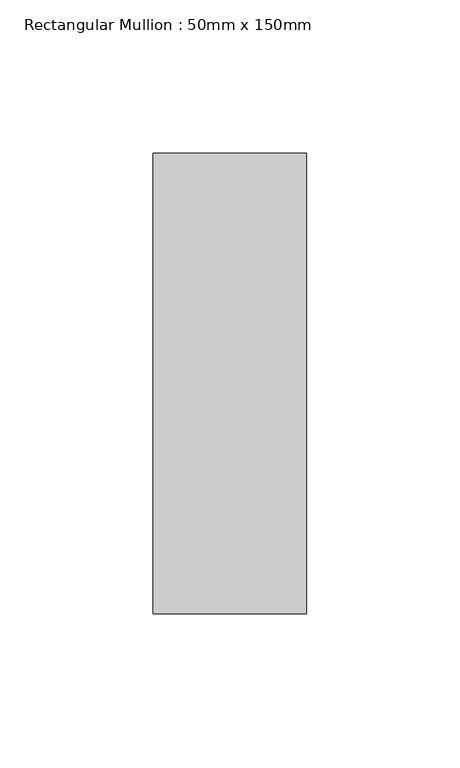
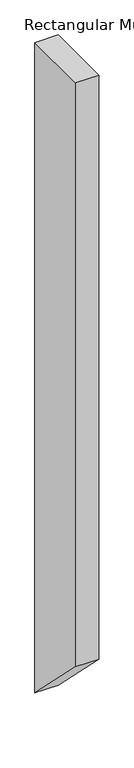
"""IFC4 building model written with IfcOpenShell, lengths in millimetres: member geometry, Rectangular Mullion : 50mm x 150mm."""

import ifcopenshell
import ifcopenshell.guid

model = None  # the IFC model being written
_history = None  # IfcOwnerHistory: only IFC2X3 demands one
_inside = {}  # id of a spatial element -> (the spatial element, [elements in it])
_under = {}  # id of a project, library or spatial element -> (it, [spatial elements below it])
_declared = {}  # id of a project -> (the project, [libraries it declares])
_typed = {}  # id of a type object -> (the type object, [elements of that type])
_made_of = {}  # id of a material, layer set ... -> (it, [elements and type objects made of it])


def new_model(schema):
    """Start an empty IFC model of exactly this schema.

    Asked for "IFC4X3", IfcOpenShell would pick the latest addendum, in which some entities
    have other attributes; the version numbers below select the first issue.
    IFC2X3 requires an IfcOwnerHistory on every rooted entity: one is made here for all.
    """
    global model, _history
    if schema == "IFC4X3":
        model = ifcopenshell.file(schema_version=(4, 3, 0, 0))
    else:
        model = ifcopenshell.file(schema=schema)
    _inside.clear()
    _under.clear()
    _declared.clear()
    _typed.clear()
    _made_of.clear()
    _history = None
    if model.schema == "IFC2X3":
        org = make("IfcOrganization", Name="unknown")
        user = make(
            "IfcPersonAndOrganization",
            ThePerson=make("IfcPerson", FamilyName="unknown"),
            TheOrganization=org,
        )
        app = make(
            "IfcApplication",
            ApplicationDeveloper=org,
            Version="unknown",
            ApplicationFullName="unknown",
            ApplicationIdentifier="unknown",
        )
        _history = make(
            "IfcOwnerHistory",
            OwningUser=user,
            OwningApplication=app,
            ChangeAction="ADDED",
            CreationDate=0,
        )
    return model


def make(cls, **values):
    """One entity of the class cls with the attributes given. An attribute that is None is left unset."""
    return model.create_entity(
        cls, **{name: value for name, value in values.items() if value is not None}
    )


def rooted(cls, **values):
    """An entity with a GlobalId (a new one), such as an element, a storey or a relation."""
    return make(cls, GlobalId=ifcopenshell.guid.new(), OwnerHistory=_history, **values)


def si_unit(unit_type, name, prefix=None):
    """IfcSIUnit, for example si_unit("LENGTHUNIT", "METRE", prefix="MILLI")."""
    return make("IfcSIUnit", UnitType=unit_type, Prefix=prefix, Name=name)


def assignment(units):
    """IfcUnitAssignment: the units of a project."""
    return None if units is None else make("IfcUnitAssignment", Units=units)


def point(xyz):
    """IfcCartesianPoint."""
    return None if xyz is None else make("IfcCartesianPoint", Coordinates=xyz)


def direction(xyz):
    """IfcDirection."""
    return None if xyz is None else make("IfcDirection", DirectionRatios=xyz)


def frame(location, z_axis=None, x_axis=None):
    """IfcAxis2Placement3D, a coordinate frame: its origin and axes. An axis left out is left unset."""
    return make(
        "IfcAxis2Placement3D",
        Location=point(location),
        Axis=direction(z_axis),
        RefDirection=direction(x_axis),
    )


def origin():
    """The frame at (0, 0, 0) with its axes left unset."""
    return frame((0.0, 0.0, 0.0))


def place(relative_to, where):
    """IfcLocalPlacement: puts the frame where relative to a parent placement (None: the world)."""
    return make(
        "IfcLocalPlacement", PlacementRelTo=relative_to, RelativePlacement=where
    )


def context(
    kind, dimensions, precision=None, world=None, true_north=None, identifier=None
):
    """IfcGeometricRepresentationContext, for example the 3D "Model" context."""
    return make(
        "IfcGeometricRepresentationContext",
        ContextIdentifier=identifier,
        ContextType=kind,
        CoordinateSpaceDimension=dimensions,
        Precision=precision,
        WorldCoordinateSystem=world,
        TrueNorth=true_north,
    )


def project(units=None, contexts=None):
    """IfcProject with its units and contexts."""
    return rooted(
        "IfcProject",
        Name="project",
        RepresentationContexts=contexts,
        UnitsInContext=assignment(units),
    )


def spatial(cls, under=None, at=None, **own):
    """A site, building, storey or space (cls), placed at a placement, below another one or the project."""
    s = rooted(cls, ObjectPlacement=at, **own)
    if under is not None:
        _under.setdefault(under.id(), (under, []))[1].append(s)
    return s


def polyline(points):
    """IfcPolyline through the points."""
    return make("IfcPolyline", Points=[point(p) for p in points])


def outline(outer, holes=None, kind="AREA"):
    """IfcArbitraryClosedProfileDef: a profile drawn as a closed curve; with holes, ...WithVoids."""
    if holes is None:
        return make("IfcArbitraryClosedProfileDef", ProfileType=kind, OuterCurve=outer)
    return make(
        "IfcArbitraryProfileDefWithVoids",
        ProfileType=kind,
        OuterCurve=outer,
        InnerCurves=holes,
    )


def extrude(swept, where, along, depth):
    """IfcExtrudedAreaSolid: the profile swept, set in the frame where, extruded along a direction by depth."""
    return make(
        "IfcExtrudedAreaSolid",
        SweptArea=swept,
        Position=where,
        ExtrudedDirection=direction(along),
        Depth=depth,
    )


def shape(context_of_items, identifier, shape_type, items):
    """IfcShapeRepresentation: the items that make up one representation, for example the "Body"."""
    return make(
        "IfcShapeRepresentation",
        ContextOfItems=context_of_items,
        RepresentationIdentifier=identifier,
        RepresentationType=shape_type,
        Items=items,
    )


def source(mapping_origin, context_of_items, identifier, shape_type, items):
    """IfcRepresentationMap: a shape defined once, which mapped items show again and again."""
    return make(
        "IfcRepresentationMap",
        MappingOrigin=mapping_origin,
        MappedRepresentation=shape(context_of_items, identifier, shape_type, items),
    )


def transform(
    local_origin,
    x_axis=None,
    y_axis=None,
    z_axis=None,
    scale=None,
    scale2=None,
    scale3=None,
    uniform=True,
):
    """IfcCartesianTransformationOperator3D, or its non-uniform kind. x_axis, y_axis, z_axis: its Axis1, 2, 3."""
    if uniform:
        return make(
            "IfcCartesianTransformationOperator3D",
            Axis1=direction(x_axis),
            Axis2=direction(y_axis),
            LocalOrigin=point(local_origin),
            Scale=scale,
            Axis3=direction(z_axis),
        )
    return make(
        "IfcCartesianTransformationOperator3DnonUniform",
        Axis1=direction(x_axis),
        Axis2=direction(y_axis),
        LocalOrigin=point(local_origin),
        Scale=scale,
        Axis3=direction(z_axis),
        Scale2=scale2,
        Scale3=scale3,
    )


def mapped(mapping_source, mapping_target):
    """IfcMappedItem: shows the shape of a source again, moved by a transform."""
    return make(
        "IfcMappedItem", MappingSource=mapping_source, MappingTarget=mapping_target
    )


def made_of(thing, what):
    """Note that an element or type object is made of a material, layer set ...; save() writes the relation."""
    if what is not None:
        _made_of.setdefault(what.id(), (what, []))[1].append(thing)
    return thing


def element(
    cls,
    number,
    at=None,
    inside=None,
    cuts=None,
    type_object=None,
    material=None,
    context=None,
    identifier="Body",
    shape_type=None,
    held_by="IfcProductDefinitionShape",
    body=None,
    shapes=None,
    **own,
):
    """One element of the class cls, such as IfcWall. Its Tag is "e" and its number.

    at: its placement. inside: the storey or other place that contains it. cuts: it is an
    opening in that element (IfcRelVoidsElement). A single representation is given by context,
    identifier, shape_type and body (its items); several are given by shapes. held_by: the class
    of the entity that holds the representations. save() writes the other relations.
    """
    e = rooted(cls, Tag="e%d" % number, ObjectPlacement=at, **own)
    if body is not None:
        shapes = [shape(context, identifier, shape_type, body)]
    if shapes is not None:
        e.Representation = make(held_by, Representations=shapes)
    if inside is not None:
        _inside.setdefault(inside.id(), (inside, []))[1].append(e)
    if cuts is not None:
        rooted(
            "IfcRelVoidsElement", RelatingBuildingElement=cuts, RelatedOpeningElement=e
        )
    if type_object is not None:
        _typed.setdefault(type_object.id(), (type_object, []))[1].append(e)
    return made_of(e, material)


def aggregate(whole, parts):
    """IfcRelAggregates: a whole, such as a stair, and the parts it consists of."""
    return rooted("IfcRelAggregates", RelatingObject=whole, RelatedObjects=parts)


def save(model, path):
    """Write the relations noted so far, then the file.

    IfcRelAggregates (storeys below a building ...), IfcRelContainedInSpatialStructure (elements
    in a storey), IfcRelDefinesByType, IfcRelAssociatesMaterial and IfcRelDeclares: one each for
    every whole, place, type object, material and project.
    """
    for whole, parts in _under.values():
        aggregate(whole, parts)
    for where, things in _inside.values():
        rooted(
            "IfcRelContainedInSpatialStructure",
            RelatedElements=things,
            RelatingStructure=where,
        )
    for kind, things in _typed.values():
        rooted("IfcRelDefinesByType", RelatedObjects=things, RelatingType=kind)
    for what, things in _made_of.values():
        rooted("IfcRelAssociatesMaterial", RelatedObjects=things, RelatingMaterial=what)
    for by, libraries in _declared.values():
        rooted("IfcRelDeclares", RelatingContext=by, RelatedDefinitions=libraries)
    model.write(path)


def rectangular_mullion_50mm_x_150mm_b2ea48d4(model_context):
    return source(origin(), model_context, "Body", "SweptSolid", [
        extrude(outline(polyline([(-75.0, 0.0), (75.0, 0.0), (75.0, -1472.8571431), (-75.0, -1322.8571431), (-75.0, 0.0)])), frame((-50.0, 0.0, 0.0), z_axis=(1.0, 0.0, 0.0), x_axis=(0.0, 1.0, 0.0)), (0.0, 0.0, 1.0), 50.0),
    ])


if __name__ == "__main__":
    model = new_model("IFC4")
    model_context = context("Model", 3, world=origin())
    ifc_project = project(units=[si_unit("LENGTHUNIT", "METRE", prefix="MILLI")], contexts=[model_context])
    site = spatial("IfcSite", under=ifc_project)
    building = spatial("IfcBuilding", under=site)
    placement = place(None, origin())
    rectangular_mullion_50mm_x_150mm_shape = rectangular_mullion_50mm_x_150mm_b2ea48d4(model_context)
    element("IfcMember", 1, ObjectType="Rectangular Mullion : 50mm x 150mm", at=placement, inside=building, context=model_context, shape_type="MappedRepresentation", body=[
        mapped(rectangular_mullion_50mm_x_150mm_shape, transform((0.0, 0.0, 0.0), x_axis=(1.0, 0.0, 0.0), y_axis=(0.0, 1.0, 0.0), z_axis=(0.0, 0.0, 1.0))),
    ])
    save(model, "model.ifc")
